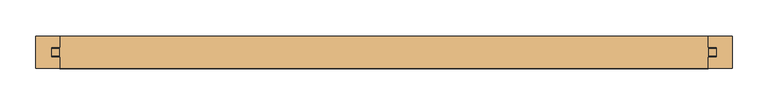
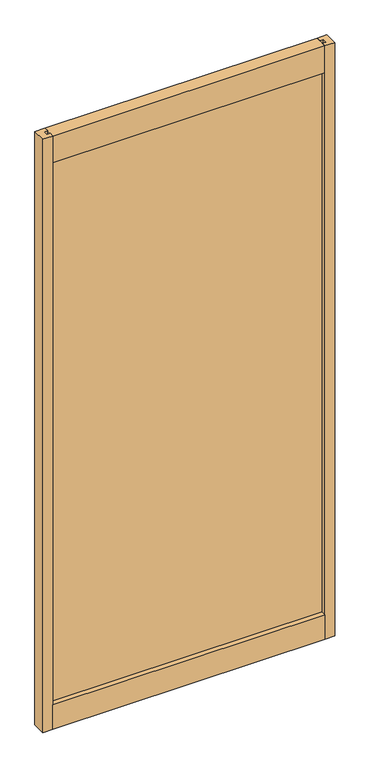
"""IFC4 building model written with IfcOpenShell, lengths in millimetres: door geometry."""

from ifc_helpers import new_model, si_unit, frame, origin, place, context, project, spatial, polyline, outline, extrude, source, transform, mapped, element, save


def door_37014e10(model_context):
    return source(origin(), model_context, "Body", "SweptSolid", [
        extrude(outline(polyline([(462.5164326, 5.0038), (462.5164326, -5.0038), (-462.5164326, -5.0038), (-462.5164326, 5.0038), (462.5164326, 5.0038)])), frame((0.0, 0.0, 95.25), z_axis=(0.0, 0.0, 1.0), x_axis=(1.0, 0.0, 0.0)), (0.0, 0.0, 1.0), 1916.1635027),
        extrude(outline(polyline([(-484.1064326, 22.225), (-451.0864326, 22.225), (-451.0864326, 7.239), (-462.5164326, 7.239), (-462.5164326, -7.239), (-451.0864326, -7.239), (-451.0864326, -22.225), (-484.1064326, -22.225), (-484.1064326, 22.225)])), frame((0.0, 0.0, 12.7), z_axis=(0.0, 0.0, 1.0), x_axis=(1.0, 0.0, 0.0)), (0.0, 0.0, 1.0), 2081.2635027),
        extrude(outline(polyline([(484.1064326, 22.225), (484.1064326, -22.225), (451.0864326, -22.225), (451.0864326, -7.239), (462.5164326, -7.239), (462.5164326, 7.239), (451.0864326, 7.239), (451.0864326, 22.225), (484.1064326, 22.225)])), frame((0.0, 0.0, 12.7), z_axis=(0.0, 0.0, 1.0), x_axis=(1.0, 0.0, 0.0)), (0.0, 0.0, 1.0), 2081.2635027),
        extrude(outline(polyline([(22.733, 12.7), (-22.733, 12.7), (-22.733, 99.06), (-7.239, 99.06), (-7.239, 87.63), (7.239, 87.63), (7.239, 99.06), (22.733, 99.06), (22.733, 12.7)])), frame((-451.0864326, 0.0, 0.0), z_axis=(1.0, 0.0, 0.0), x_axis=(0.0, 1.0, 0.0)), (0.0, 0.0, 1.0), 902.1728651),
        extrude(outline(polyline([(-22.225, 2093.9635027), (22.225, 2093.9635027), (22.225, 1999.9835027), (6.731, 1999.9835027), (6.731, 2011.4135027), (-6.731, 2011.4135027), (-6.731, 1999.9835027), (-22.225, 1999.9835027), (-22.225, 2093.9635027)])), frame((-451.0864326, 0.0, 0.0), z_axis=(1.0, 0.0, 0.0), x_axis=(0.0, 1.0, 0.0)), (0.0, 0.0, 1.0), 902.1728651),
    ])


if __name__ == "__main__":
    model = new_model("IFC4")
    model_context = context("Model", 3, world=origin())
    ifc_project = project(units=[si_unit("LENGTHUNIT", "METRE", prefix="MILLI")], contexts=[model_context])
    site = spatial("IfcSite", under=ifc_project)
    building = spatial("IfcBuilding", under=site)
    placement = place(None, origin())
    door_shape = door_37014e10(model_context)
    element("IfcDoor", 1, at=placement, inside=building, context=model_context, shape_type="MappedRepresentation", body=[
        mapped(door_shape, transform((0.0, 0.0, 0.0), x_axis=(1.0, 0.0, 0.0), y_axis=(0.0, 1.0, 0.0), z_axis=(0.0, 0.0, 1.0))),
    ])
    save(model, "model.ifc")
